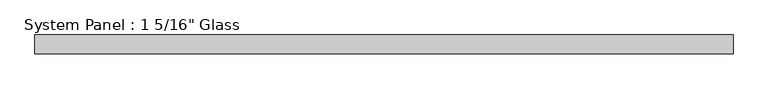
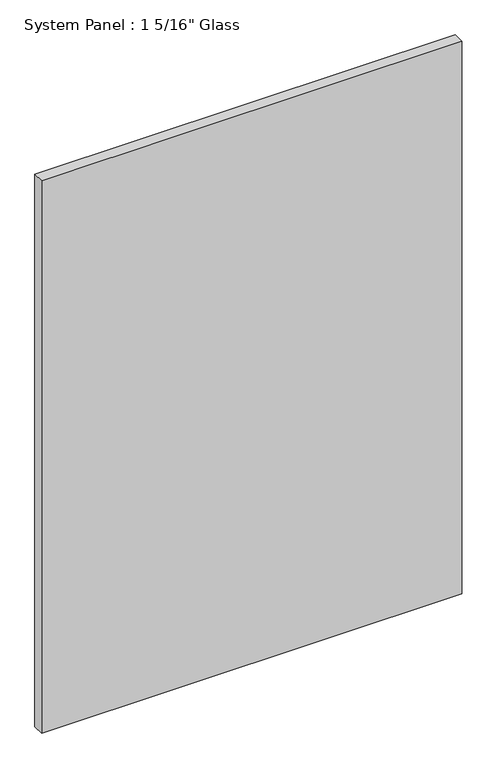
"""IFC4 building model written with IfcOpenShell, lengths in millimetres: plate geometry."""

from ifc_helpers import new_model, si_unit, origin, origin_with_axes, place, context, project, spatial, polyline, outline, extrude, source, transform, mapped, element, save


def plate_f72cd55e(model_context):
    return source(origin(), model_context, "Body", "SweptSolid", [
        extrude(outline(polyline([(612.378125, -16.66875), (-612.378125, -16.66875), (-612.378125, 16.66875), (612.378125, 16.66875), (612.378125, -16.66875)])), origin_with_axes(), (0.0, 0.0, 1.0), 1701.8),
    ])


if __name__ == "__main__":
    model = new_model("IFC4")
    model_context = context("Model", 3, world=origin())
    ifc_project = project(units=[si_unit("LENGTHUNIT", "METRE", prefix="MILLI")], contexts=[model_context])
    site = spatial("IfcSite", under=ifc_project)
    building = spatial("IfcBuilding", under=site)
    placement = place(None, origin())
    plate_shape = plate_f72cd55e(model_context)
    element("IfcPlate", 1, ObjectType="System Panel : 1 5/16\" Glass", at=placement, inside=building, context=model_context, shape_type="MappedRepresentation", body=[
        mapped(plate_shape, transform((0.0, 0.0, 0.0), x_axis=(1.0, 0.0, 0.0), y_axis=(0.0, 1.0, 0.0), z_axis=(0.0, 0.0, 1.0))),
    ])
    save(model, "model.ifc")
